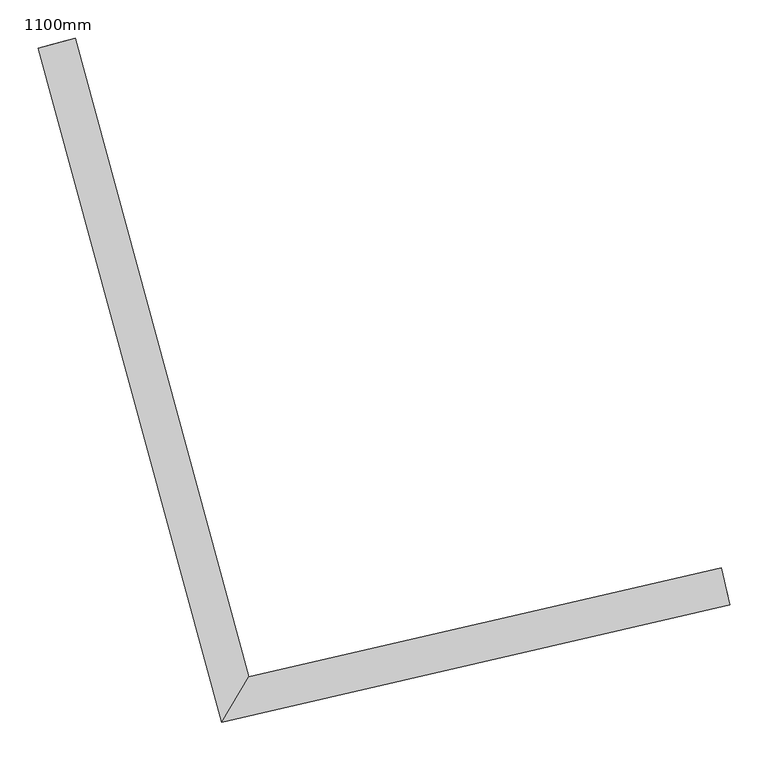
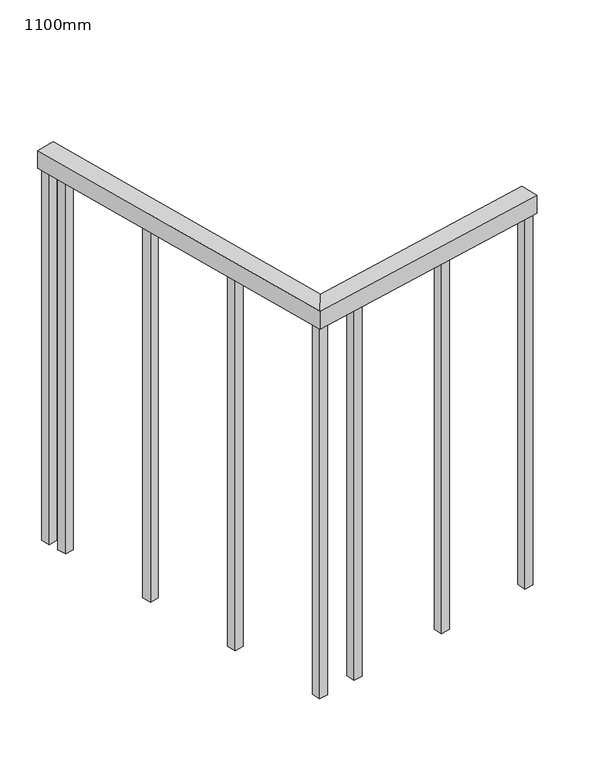
"""IFC4 building model written with IfcOpenShell, lengths in millimetres: railing geometry, 1100mm."""

from ifc_helpers import new_model, si_unit, frame, origin, place, context, project, spatial, polyline, outline, extrude, faceted_brep, source, transform, mapped, element, save


def railing_1100mm_c3083f83(model_context):
    return source(origin(), model_context, "Body", "SolidModel", [
        faceted_brep([(169756.8578061, 75299.2266213, 1700.0), (169768.1053588, 75250.5081181, 1700.0), (169768.1053588, 75250.5081181, 1650.0), (169756.8578061, 75299.2266213, 1650.0), (169138.711061, 75156.5162005, 1700.0), (169103.0805955, 75096.975054, 1700.0), (169103.0805955, 75096.975054, 1650.0), (169138.711061, 75156.5162005, 1650.0), (168911.4143721, 75992.7656601, 1700.0), (168911.4143721, 75992.7656601, 1650.0), (168863.1649015, 75979.6512182, 1650.0), (168863.1649015, 75979.6512182, 1700.0)], [[[0, 1, 2, 3]], [[1, 0, 4, 5]], [[2, 1, 5, 6]], [[3, 2, 6, 7]], [[0, 3, 7, 4]], [[8, 9, 10, 11]], [[5, 4, 8, 11]], [[6, 5, 11, 10]], [[7, 6, 10, 9]], [[4, 7, 9, 8]]]),
        extrude(outline(polyline([(168919.8485158, 75914.0781352), (168895.7237805, 75907.5209143), (168889.1665596, 75931.6456496), (168913.2912949, 75938.2028705), (168919.8485158, 75914.0781352)])), frame((0.0, 0.0, 600.0), z_axis=(0.0, 0.0, 1.0), x_axis=(1.0, 0.0, 0.0)), (0.0, 0.0, 1.0), 1050.0),
        extrude(outline(polyline([(168991.977946, 75648.7060468), (168967.8532107, 75642.1488259), (168961.2959897, 75666.2735612), (168985.4207251, 75672.8307821), (168991.977946, 75648.7060468)])), frame((0.0, 0.0, 600.0), z_axis=(0.0, 0.0, 1.0), x_axis=(1.0, 0.0, 0.0)), (0.0, 0.0, 1.0), 1050.0),
        extrude(outline(polyline([(169064.1073762, 75383.3339584), (169039.9826409, 75376.7767375), (169033.4254199, 75400.9014728), (169057.5501552, 75407.4586937), (169064.1073762, 75383.3339584)])), frame((0.0, 0.0, 600.0), z_axis=(0.0, 0.0, 1.0), x_axis=(1.0, 0.0, 0.0)), (0.0, 0.0, 1.0), 1050.0),
        extrude(outline(polyline([(169235.9457844, 75166.1358038), (169241.5695608, 75141.7765522), (169217.2103091, 75136.1527758), (169211.5865328, 75160.5120275), (169235.9457844, 75166.1358038)])), frame((0.0, 0.0, 600.0), z_axis=(0.0, 0.0, 1.0), x_axis=(1.0, 0.0, 0.0)), (0.0, 0.0, 1.0), 1050.0),
        extrude(outline(polyline([(169503.8975522, 75227.9973438), (169509.5213286, 75203.6380922), (169485.162077, 75198.0143158), (169479.5383006, 75222.3735674), (169503.8975522, 75227.9973438)])), frame((0.0, 0.0, 600.0), z_axis=(0.0, 0.0, 1.0), x_axis=(1.0, 0.0, 0.0)), (0.0, 0.0, 1.0), 1050.0),
        extrude(outline(polyline([(169130.2635659, 75141.7371412), (169135.8873422, 75117.3778896), (169111.5280906, 75111.7541132), (169105.9043142, 75136.1133648), (169130.2635659, 75141.7371412)])), frame((0.0, 0.0, 600.0), z_axis=(0.0, 0.0, 1.0), x_axis=(1.0, 0.0, 0.0)), (0.0, 0.0, 1.0), 1050.0),
        extrude(outline(polyline([(168905.9092253, 75965.3623143), (168881.78449, 75958.8050934), (168875.2272691, 75982.9298287), (168899.3520044, 75989.4870496), (168905.9092253, 75965.3623143)])), frame((0.0, 0.0, 600.0), z_axis=(0.0, 0.0, 1.0), x_axis=(1.0, 0.0, 0.0)), (0.0, 0.0, 1.0), 1050.0),
        extrude(outline(polyline([(169759.6696942, 75287.0469955), (169765.2934706, 75262.6877439), (169740.934219, 75257.0639676), (169735.3104426, 75281.4232192), (169759.6696942, 75287.0469955)])), frame((0.0, 0.0, 600.0), z_axis=(0.0, 0.0, 1.0), x_axis=(1.0, 0.0, 0.0)), (0.0, 0.0, 1.0), 1050.0),
    ])


if __name__ == "__main__":
    model = new_model("IFC4")
    model_context = context("Model", 3, world=origin())
    ifc_project = project(units=[si_unit("LENGTHUNIT", "METRE", prefix="MILLI")], contexts=[model_context])
    site = spatial("IfcSite", under=ifc_project)
    building = spatial("IfcBuilding", under=site)
    placement = place(None, origin())
    railing_1100mm_shape = railing_1100mm_c3083f83(model_context)
    element("IfcRailing", 1, ObjectType="1100mm", at=placement, inside=building, context=model_context, shape_type="MappedRepresentation", body=[
        mapped(railing_1100mm_shape, transform((0.0, 0.0, 0.0), x_axis=(1.0, 0.0, 0.0), y_axis=(0.0, 1.0, 0.0), z_axis=(0.0, 0.0, 1.0))),
    ])
    save(model, "model.ifc")
